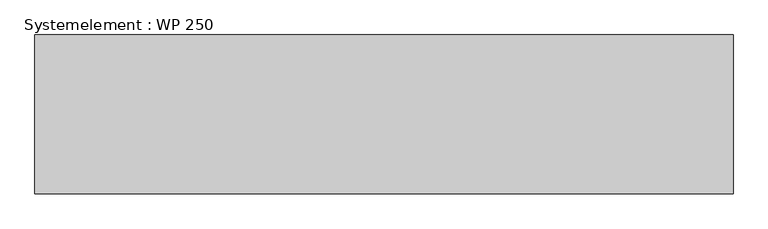
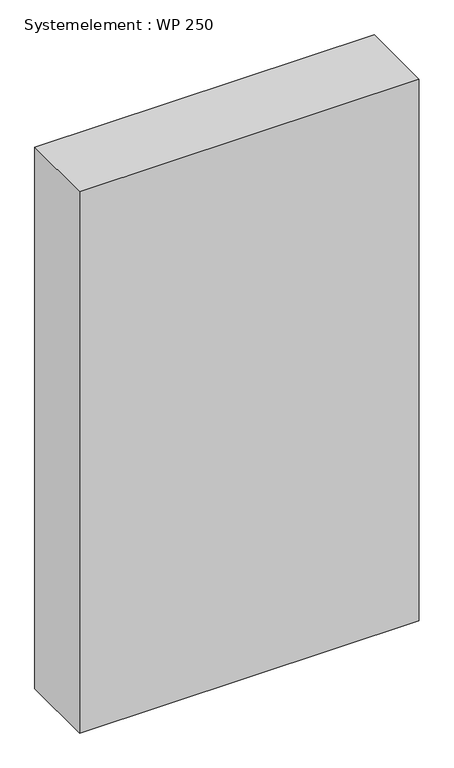
"""IFC4 building model written with IfcOpenShell, lengths in millimetres: plate geometry, Systemelement : WP 250."""

from ifc_helpers import new_model, si_unit, origin, origin_with_axes, place, context, project, spatial, polyline, outline, extrude, source, transform, mapped, element, save


def systemelement_wp_250_12a47029(model_context):
    return source(origin(), model_context, "Body", "SweptSolid", [
        extrude(outline(polyline([(550.0, -250.0), (-550.0, -250.0), (-550.0, 0.0), (550.0, 0.0), (550.0, -250.0)])), origin_with_axes(), (0.0, 0.0, 1.0), 1851.6147161),
    ])


if __name__ == "__main__":
    model = new_model("IFC4")
    model_context = context("Model", 3, world=origin())
    ifc_project = project(units=[si_unit("LENGTHUNIT", "METRE", prefix="MILLI")], contexts=[model_context])
    site = spatial("IfcSite", under=ifc_project)
    building = spatial("IfcBuilding", under=site)
    placement = place(None, origin())
    systemelement_wp_250_shape = systemelement_wp_250_12a47029(model_context)
    element("IfcPlate", 1, ObjectType="Systemelement : WP 250", at=placement, inside=building, context=model_context, shape_type="MappedRepresentation", body=[
        mapped(systemelement_wp_250_shape, transform((0.0, 0.0, 0.0), x_axis=(1.0, 0.0, 0.0), y_axis=(0.0, 1.0, 0.0), z_axis=(0.0, 0.0, 1.0))),
    ])
    save(model, "model.ifc")
